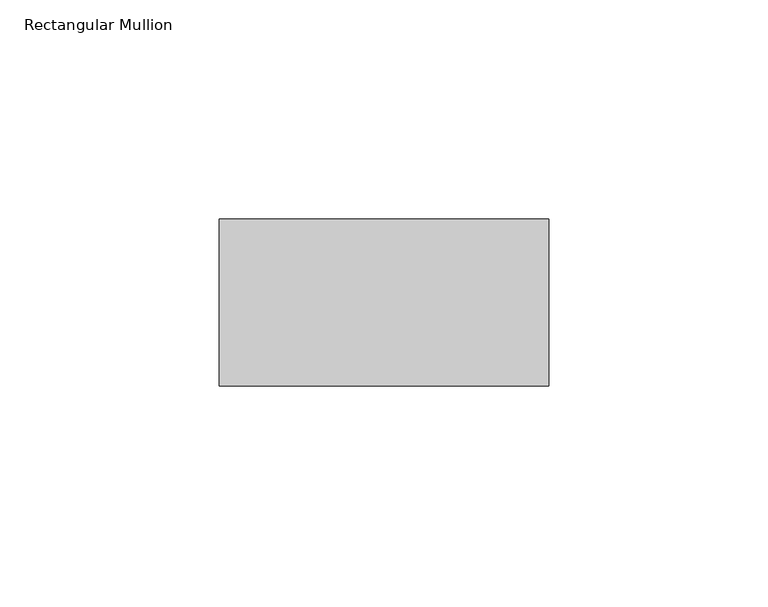
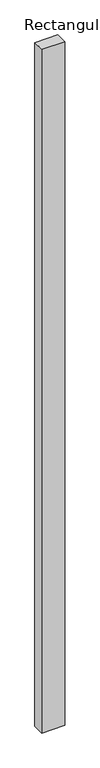
"""IFC4 building model written with IfcOpenShell, lengths in millimetres: member geometry, Rectangular Mullion."""

from ifc_helpers import new_model, si_unit, frame, origin, place, context, project, spatial, polyline, outline, extrude, source, transform, mapped, element, save


def rectangular_mullion_85b1918e(model_context):
    return source(origin(), model_context, "Body", "SweptSolid", [
        extrude(outline(polyline([(37.5, 58.0), (37.5, 20.0), (-37.5, 20.0), (-37.5, 58.0), (37.5, 58.0)])), frame((0.0, 0.0, -2360.0), z_axis=(0.0, 0.0, 1.0), x_axis=(1.0, 0.0, 0.0)), (0.0, 0.0, 1.0), 2360.0),
    ])


if __name__ == "__main__":
    model = new_model("IFC4")
    model_context = context("Model", 3, world=origin())
    ifc_project = project(units=[si_unit("LENGTHUNIT", "METRE", prefix="MILLI")], contexts=[model_context])
    site = spatial("IfcSite", under=ifc_project)
    building = spatial("IfcBuilding", under=site)
    placement = place(None, origin())
    rectangular_mullion_shape = rectangular_mullion_85b1918e(model_context)
    element("IfcMember", 1, ObjectType="Rectangular Mullion", at=placement, inside=building, context=model_context, shape_type="MappedRepresentation", body=[
        mapped(rectangular_mullion_shape, transform((0.0, 0.0, 0.0), x_axis=(1.0, 0.0, 0.0), y_axis=(0.0, 1.0, 0.0), z_axis=(0.0, 0.0, 1.0))),
    ])
    save(model, "model.ifc")
